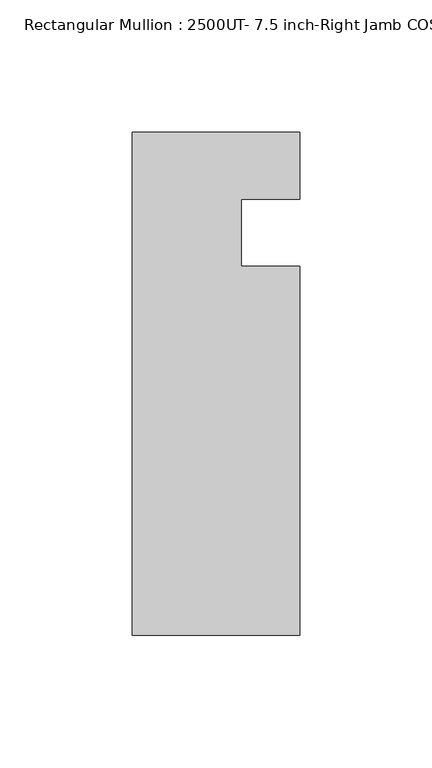
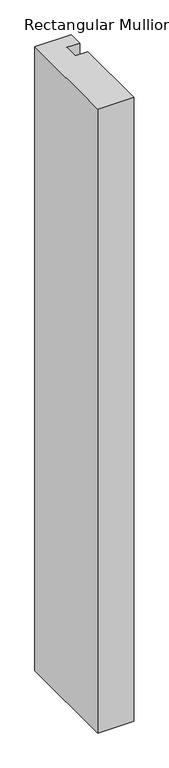
"""IFC4 building model written with IfcOpenShell, lengths in millimetres: member geometry, Rectangular Mullion : 2500UT- 7.5 inch-Right Jamb COS Mullion."""

import ifcopenshell
import ifcopenshell.guid

model = None  # the IFC model being written
_history = None  # IfcOwnerHistory: only IFC2X3 demands one
_inside = {}  # id of a spatial element -> (the spatial element, [elements in it])
_under = {}  # id of a project, library or spatial element -> (it, [spatial elements below it])
_declared = {}  # id of a project -> (the project, [libraries it declares])
_typed = {}  # id of a type object -> (the type object, [elements of that type])
_made_of = {}  # id of a material, layer set ... -> (it, [elements and type objects made of it])


def new_model(schema):
    """Start an empty IFC model of exactly this schema.

    Asked for "IFC4X3", IfcOpenShell would pick the latest addendum, in which some entities
    have other attributes; the version numbers below select the first issue.
    IFC2X3 requires an IfcOwnerHistory on every rooted entity: one is made here for all.
    """
    global model, _history
    if schema == "IFC4X3":
        model = ifcopenshell.file(schema_version=(4, 3, 0, 0))
    else:
        model = ifcopenshell.file(schema=schema)
    _inside.clear()
    _under.clear()
    _declared.clear()
    _typed.clear()
    _made_of.clear()
    _history = None
    if model.schema == "IFC2X3":
        org = make("IfcOrganization", Name="unknown")
        user = make(
            "IfcPersonAndOrganization",
            ThePerson=make("IfcPerson", FamilyName="unknown"),
            TheOrganization=org,
        )
        app = make(
            "IfcApplication",
            ApplicationDeveloper=org,
            Version="unknown",
            ApplicationFullName="unknown",
            ApplicationIdentifier="unknown",
        )
        _history = make(
            "IfcOwnerHistory",
            OwningUser=user,
            OwningApplication=app,
            ChangeAction="ADDED",
            CreationDate=0,
        )
    return model


def make(cls, **values):
    """One entity of the class cls with the attributes given. An attribute that is None is left unset."""
    return model.create_entity(
        cls, **{name: value for name, value in values.items() if value is not None}
    )


def rooted(cls, **values):
    """An entity with a GlobalId (a new one), such as an element, a storey or a relation."""
    return make(cls, GlobalId=ifcopenshell.guid.new(), OwnerHistory=_history, **values)


def si_unit(unit_type, name, prefix=None):
    """IfcSIUnit, for example si_unit("LENGTHUNIT", "METRE", prefix="MILLI")."""
    return make("IfcSIUnit", UnitType=unit_type, Prefix=prefix, Name=name)


def assignment(units):
    """IfcUnitAssignment: the units of a project."""
    return None if units is None else make("IfcUnitAssignment", Units=units)


def point(xyz):
    """IfcCartesianPoint."""
    return None if xyz is None else make("IfcCartesianPoint", Coordinates=xyz)


def direction(xyz):
    """IfcDirection."""
    return None if xyz is None else make("IfcDirection", DirectionRatios=xyz)


def frame(location, z_axis=None, x_axis=None):
    """IfcAxis2Placement3D, a coordinate frame: its origin and axes. An axis left out is left unset."""
    return make(
        "IfcAxis2Placement3D",
        Location=point(location),
        Axis=direction(z_axis),
        RefDirection=direction(x_axis),
    )


def origin():
    """The frame at (0, 0, 0) with its axes left unset."""
    return frame((0.0, 0.0, 0.0))


def place(relative_to, where):
    """IfcLocalPlacement: puts the frame where relative to a parent placement (None: the world)."""
    return make(
        "IfcLocalPlacement", PlacementRelTo=relative_to, RelativePlacement=where
    )


def context(
    kind, dimensions, precision=None, world=None, true_north=None, identifier=None
):
    """IfcGeometricRepresentationContext, for example the 3D "Model" context."""
    return make(
        "IfcGeometricRepresentationContext",
        ContextIdentifier=identifier,
        ContextType=kind,
        CoordinateSpaceDimension=dimensions,
        Precision=precision,
        WorldCoordinateSystem=world,
        TrueNorth=true_north,
    )


def project(units=None, contexts=None):
    """IfcProject with its units and contexts."""
    return rooted(
        "IfcProject",
        Name="project",
        RepresentationContexts=contexts,
        UnitsInContext=assignment(units),
    )


def spatial(cls, under=None, at=None, **own):
    """A site, building, storey or space (cls), placed at a placement, below another one or the project."""
    s = rooted(cls, ObjectPlacement=at, **own)
    if under is not None:
        _under.setdefault(under.id(), (under, []))[1].append(s)
    return s


def polyline(points):
    """IfcPolyline through the points."""
    return make("IfcPolyline", Points=[point(p) for p in points])


def outline(outer, holes=None, kind="AREA"):
    """IfcArbitraryClosedProfileDef: a profile drawn as a closed curve; with holes, ...WithVoids."""
    if holes is None:
        return make("IfcArbitraryClosedProfileDef", ProfileType=kind, OuterCurve=outer)
    return make(
        "IfcArbitraryProfileDefWithVoids",
        ProfileType=kind,
        OuterCurve=outer,
        InnerCurves=holes,
    )


def extrude(swept, where, along, depth):
    """IfcExtrudedAreaSolid: the profile swept, set in the frame where, extruded along a direction by depth."""
    return make(
        "IfcExtrudedAreaSolid",
        SweptArea=swept,
        Position=where,
        ExtrudedDirection=direction(along),
        Depth=depth,
    )


def shape(context_of_items, identifier, shape_type, items):
    """IfcShapeRepresentation: the items that make up one representation, for example the "Body"."""
    return make(
        "IfcShapeRepresentation",
        ContextOfItems=context_of_items,
        RepresentationIdentifier=identifier,
        RepresentationType=shape_type,
        Items=items,
    )


def source(mapping_origin, context_of_items, identifier, shape_type, items):
    """IfcRepresentationMap: a shape defined once, which mapped items show again and again."""
    return make(
        "IfcRepresentationMap",
        MappingOrigin=mapping_origin,
        MappedRepresentation=shape(context_of_items, identifier, shape_type, items),
    )


def transform(
    local_origin,
    x_axis=None,
    y_axis=None,
    z_axis=None,
    scale=None,
    scale2=None,
    scale3=None,
    uniform=True,
):
    """IfcCartesianTransformationOperator3D, or its non-uniform kind. x_axis, y_axis, z_axis: its Axis1, 2, 3."""
    if uniform:
        return make(
            "IfcCartesianTransformationOperator3D",
            Axis1=direction(x_axis),
            Axis2=direction(y_axis),
            LocalOrigin=point(local_origin),
            Scale=scale,
            Axis3=direction(z_axis),
        )
    return make(
        "IfcCartesianTransformationOperator3DnonUniform",
        Axis1=direction(x_axis),
        Axis2=direction(y_axis),
        LocalOrigin=point(local_origin),
        Scale=scale,
        Axis3=direction(z_axis),
        Scale2=scale2,
        Scale3=scale3,
    )


def mapped(mapping_source, mapping_target):
    """IfcMappedItem: shows the shape of a source again, moved by a transform."""
    return make(
        "IfcMappedItem", MappingSource=mapping_source, MappingTarget=mapping_target
    )


def made_of(thing, what):
    """Note that an element or type object is made of a material, layer set ...; save() writes the relation."""
    if what is not None:
        _made_of.setdefault(what.id(), (what, []))[1].append(thing)
    return thing


def element(
    cls,
    number,
    at=None,
    inside=None,
    cuts=None,
    type_object=None,
    material=None,
    context=None,
    identifier="Body",
    shape_type=None,
    held_by="IfcProductDefinitionShape",
    body=None,
    shapes=None,
    **own,
):
    """One element of the class cls, such as IfcWall. Its Tag is "e" and its number.

    at: its placement. inside: the storey or other place that contains it. cuts: it is an
    opening in that element (IfcRelVoidsElement). A single representation is given by context,
    identifier, shape_type and body (its items); several are given by shapes. held_by: the class
    of the entity that holds the representations. save() writes the other relations.
    """
    e = rooted(cls, Tag="e%d" % number, ObjectPlacement=at, **own)
    if body is not None:
        shapes = [shape(context, identifier, shape_type, body)]
    if shapes is not None:
        e.Representation = make(held_by, Representations=shapes)
    if inside is not None:
        _inside.setdefault(inside.id(), (inside, []))[1].append(e)
    if cuts is not None:
        rooted(
            "IfcRelVoidsElement", RelatingBuildingElement=cuts, RelatedOpeningElement=e
        )
    if type_object is not None:
        _typed.setdefault(type_object.id(), (type_object, []))[1].append(e)
    return made_of(e, material)


def aggregate(whole, parts):
    """IfcRelAggregates: a whole, such as a stair, and the parts it consists of."""
    return rooted("IfcRelAggregates", RelatingObject=whole, RelatedObjects=parts)


def save(model, path):
    """Write the relations noted so far, then the file.

    IfcRelAggregates (storeys below a building ...), IfcRelContainedInSpatialStructure (elements
    in a storey), IfcRelDefinesByType, IfcRelAssociatesMaterial and IfcRelDeclares: one each for
    every whole, place, type object, material and project.
    """
    for whole, parts in _under.values():
        aggregate(whole, parts)
    for where, things in _inside.values():
        rooted(
            "IfcRelContainedInSpatialStructure",
            RelatedElements=things,
            RelatingStructure=where,
        )
    for kind, things in _typed.values():
        rooted("IfcRelDefinesByType", RelatedObjects=things, RelatingType=kind)
    for what, things in _made_of.values():
        rooted("IfcRelAssociatesMaterial", RelatedObjects=things, RelatingMaterial=what)
    for by, libraries in _declared.values():
        rooted("IfcRelDeclares", RelatingContext=by, RelatedDefinitions=libraries)
    model.write(path)


def rectangular_mullion_2500ut_7_5_inch_right_jamb_cos_mullion_ec37996e(model_context):
    return source(origin(), model_context, "Body", "SweptSolid", [
        extrude(outline(polyline([(31.734125, -152.399995), (-31.765875, -152.399995), (-31.765875, 38.100005), (31.734125, 38.100005), (31.734125, 12.7260615), (9.509125, 12.7260615), (9.509125, -12.7), (31.734125, -12.7), (31.734125, -152.399995)])), frame((0.0, 0.0, -1154.90625), z_axis=(0.0, 0.0, 1.0), x_axis=(1.0, 0.0, 0.0)), (0.0, 0.0, 1.0), 1154.90625),
    ])


if __name__ == "__main__":
    model = new_model("IFC4")
    model_context = context("Model", 3, world=origin())
    ifc_project = project(units=[si_unit("LENGTHUNIT", "METRE", prefix="MILLI")], contexts=[model_context])
    site = spatial("IfcSite", under=ifc_project)
    building = spatial("IfcBuilding", under=site)
    placement = place(None, origin())
    rectangular_mullion_2500ut_7_5_inch_right_jamb_cos_mullion_shape = rectangular_mullion_2500ut_7_5_inch_right_jamb_cos_mullion_ec37996e(model_context)
    element("IfcMember", 1, ObjectType="Rectangular Mullion : 2500UT- 7.5 inch-Right Jamb COS Mullion", at=placement, inside=building, context=model_context, shape_type="MappedRepresentation", body=[
        mapped(rectangular_mullion_2500ut_7_5_inch_right_jamb_cos_mullion_shape, transform((0.0, 0.0, 0.0), x_axis=(1.0, 0.0, 0.0), y_axis=(0.0, 1.0, 0.0), z_axis=(0.0, 0.0, 1.0))),
    ])
    save(model, "model.ifc")
